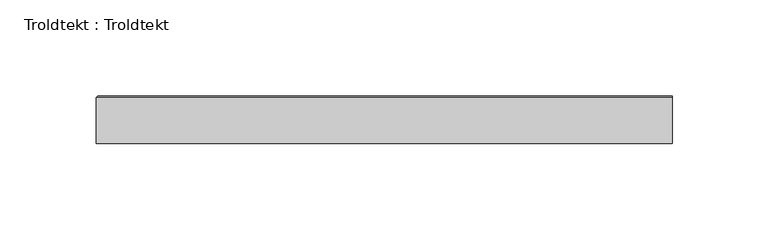
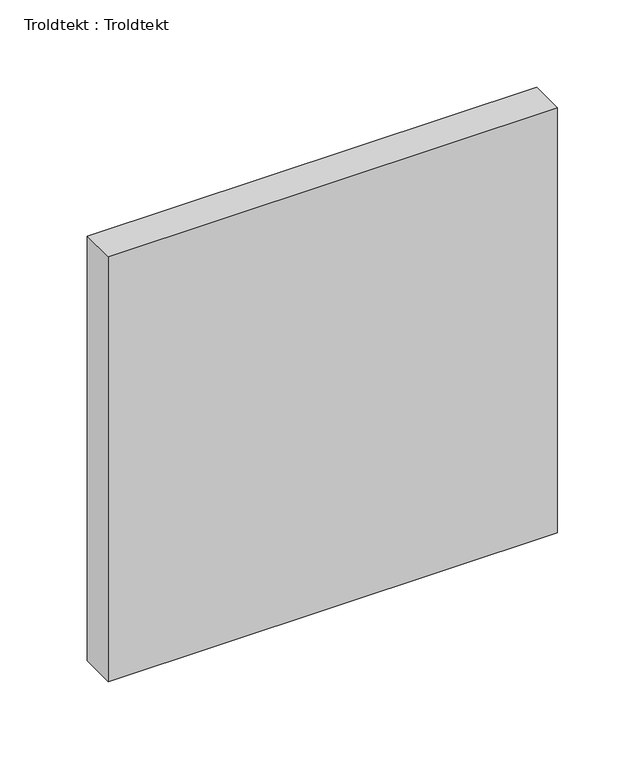
"""IFC4 building model written with IfcOpenShell, lengths in millimetres: proxy geometry, Troldtekt : Troldtekt."""

from ifc_helpers import new_model, si_unit, origin, place, context, project, spatial, faceted_brep, source, transform, mapped, element, save


def troldtekt_troldtekt_18ef4b85(model_context):
    return source(origin(), model_context, "Body", "Brep", [
        faceted_brep([(-300.0, -12.5, 300.0), (0.0, -12.5, 300.0), (0.0, 11.495044, 300.0), (-300.0, 11.495044, 300.0), (0.0, -12.5, 0.0), (-300.0, -12.5, 0.0), (-300.0, 11.495044, 0.0), (0.0, 11.495044, 0.0), (0.0, 12.5, 298.995044), (0.0, 12.5, 1.004956), (-298.995044, 12.5, 1.004956), (-298.995044, 12.5, 298.995044)], [[[0, 1, 2, 3]], [[4, 5, 6, 7]], [[8, 9, 10, 11]], [[5, 0, 3, 6]], [[1, 0, 5, 4]], [[1, 4, 7, 9, 8, 2]], [[10, 6, 3, 11]], [[6, 10, 9, 7]], [[11, 3, 2, 8]]]),
    ])


if __name__ == "__main__":
    model = new_model("IFC4")
    model_context = context("Model", 3, world=origin())
    ifc_project = project(units=[si_unit("LENGTHUNIT", "METRE", prefix="MILLI")], contexts=[model_context])
    site = spatial("IfcSite", under=ifc_project)
    building = spatial("IfcBuilding", under=site)
    placement = place(None, origin())
    troldtekt_troldtekt_shape = troldtekt_troldtekt_18ef4b85(model_context)
    element("IfcBuildingElementProxy", 1, Name="Troldtekt : Troldtekt", ObjectType="Troldtekt : Troldtekt", at=placement, inside=building, context=model_context, shape_type="MappedRepresentation", body=[
        mapped(troldtekt_troldtekt_shape, transform((0.0, 0.0, 0.0), x_axis=(1.0, 0.0, 0.0), y_axis=(0.0, 1.0, 0.0), z_axis=(0.0, 0.0, 1.0))),
    ])
    save(model, "model.ifc")
